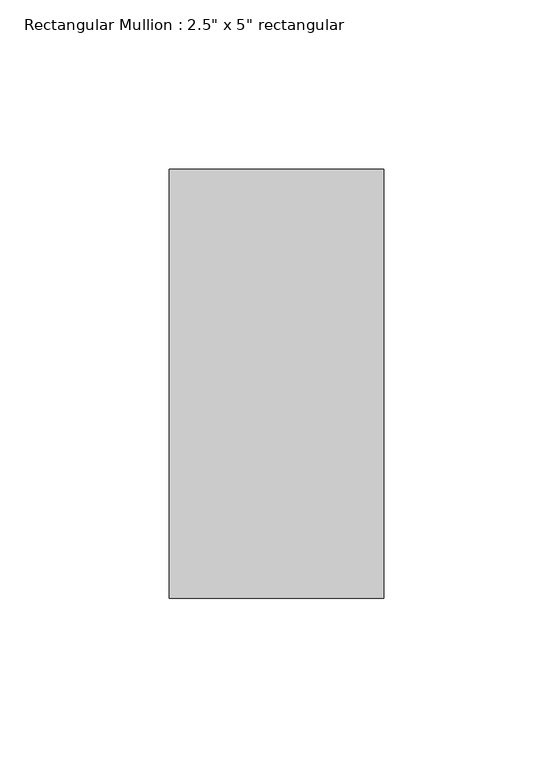
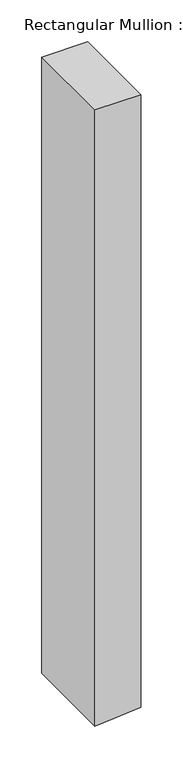
"""IFC4 building model written with IfcOpenShell, lengths in millimetres: member geometry."""

from ifc_helpers import new_model, si_unit, frame, origin, place, context, project, spatial, polyline, outline, extrude, source, transform, mapped, element, save


def member_dcd4db40(model_context):
    return source(origin(), model_context, "Body", "SweptSolid", [
        extrude(outline(polyline([(0.0, 31.75), (0.0, -31.75), (-899.2197618, -31.75), (-897.1063136, -5.001701), (-894.2024724, 31.75), (0.0, 31.75)])), frame((0.0, -63.5, 0.0), z_axis=(0.0, 1.0, 0.0), x_axis=(0.0, 0.0, 1.0)), (0.0, 0.0, 1.0), 127.0),
    ])


if __name__ == "__main__":
    model = new_model("IFC4")
    model_context = context("Model", 3, world=origin())
    ifc_project = project(units=[si_unit("LENGTHUNIT", "METRE", prefix="MILLI")], contexts=[model_context])
    site = spatial("IfcSite", under=ifc_project)
    building = spatial("IfcBuilding", under=site)
    placement = place(None, origin())
    member_shape = member_dcd4db40(model_context)
    element("IfcMember", 1, ObjectType="Rectangular Mullion : 2.5\" x 5\" rectangular", at=placement, inside=building, context=model_context, shape_type="MappedRepresentation", body=[
        mapped(member_shape, transform((0.0, 0.0, 0.0), x_axis=(1.0, 0.0, 0.0), y_axis=(0.0, 1.0, 0.0), z_axis=(0.0, 0.0, 1.0))),
    ])
    save(model, "model.ifc")
